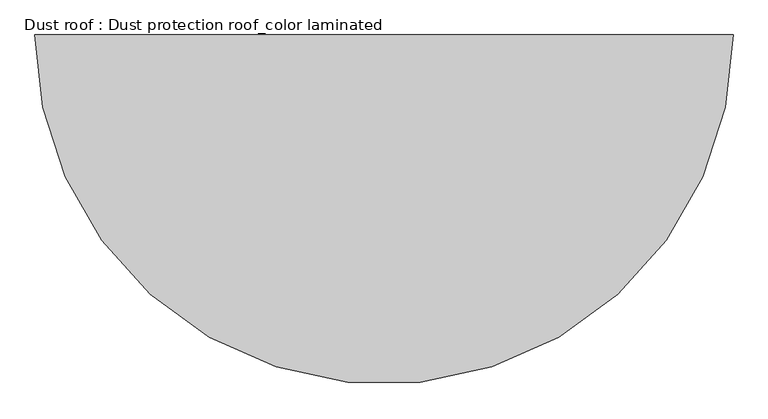
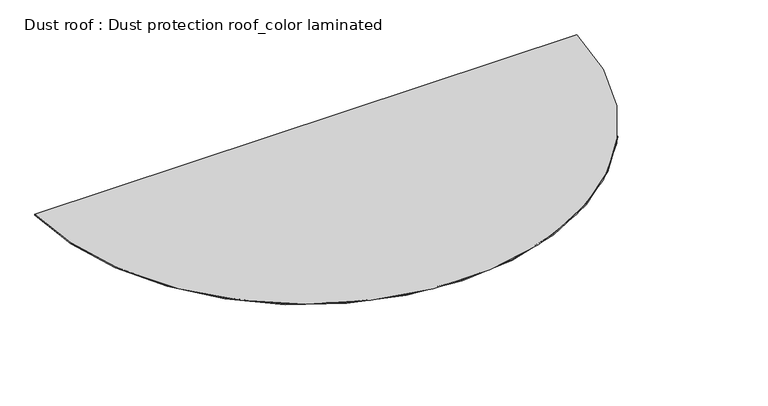
"""IFC4 building model written with IfcOpenShell, lengths in millimetres: proxy geometry, Dust roof : Dust protection roof_color laminated."""

from ifc_helpers import new_model, si_unit, point, origin, origin_with_axes, origin_2d, place, context, project, spatial, polyline, circle_curve, trimmed, segment, composite_curve, outline, extrude, source, transform, mapped, element, save


def dust_roof_dust_protection_roof_color_laminated_1047e9d3(model_context):
    return source(origin(), model_context, "Body", "SweptSolid", [
        extrude(outline(composite_curve([segment(trimmed(circle_curve(origin_2d(), 2736.0), [point((2736.0, 0.0))], [point((-2736.0, 0.0))], False, "CARTESIAN"), True, "CONTINUOUS"), segment(polyline([(-2736.0, 0.0), (2736.0, 0.0)]), True, "CONTINUOUS")], self_intersect=False)), origin_with_axes(), (0.0, 0.0, 1.0), 10.0),
    ])


if __name__ == "__main__":
    model = new_model("IFC4")
    model_context = context("Model", 3, world=origin())
    ifc_project = project(units=[si_unit("LENGTHUNIT", "METRE", prefix="MILLI")], contexts=[model_context])
    site = spatial("IfcSite", under=ifc_project)
    building = spatial("IfcBuilding", under=site)
    placement = place(None, origin())
    dust_roof_dust_protection_roof_color_laminated_shape = dust_roof_dust_protection_roof_color_laminated_1047e9d3(model_context)
    element("IfcBuildingElementProxy", 1, Name="Dust roof : Dust protection roof_color laminated", ObjectType="Dust roof : Dust protection roof_color laminated", at=placement, inside=building, context=model_context, shape_type="MappedRepresentation", body=[
        mapped(dust_roof_dust_protection_roof_color_laminated_shape, transform((0.0, 0.0, 0.0), x_axis=(1.0, 0.0, 0.0), y_axis=(0.0, 1.0, 0.0), z_axis=(0.0, 0.0, 1.0))),
    ])
    save(model, "model.ifc")
